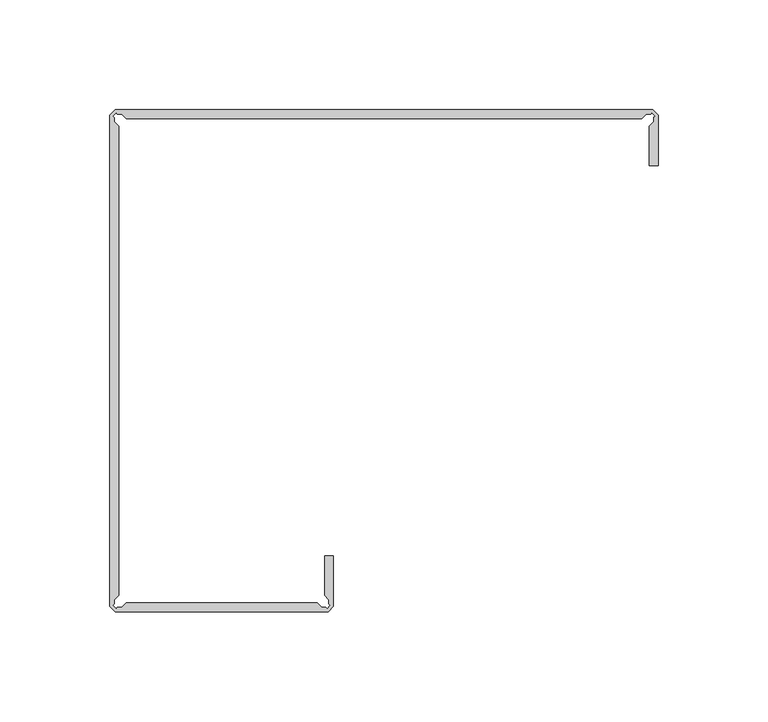
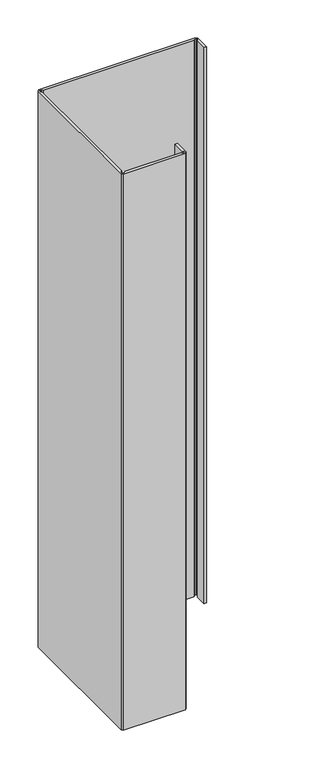
"""IFC4 building model written with IfcOpenShell, lengths in millimetres: proxy geometry."""

from ifc_helpers import new_model, si_unit, frame, origin, place, context, project, spatial, polyline, outline, extrude, source, transform, mapped, element, save


def generic_models_fffac780(model_context):
    return source(origin(), model_context, "Body", "SweptSolid", [
        extrude(outline(polyline([(37121.8787992, -23901.974067), (37121.8787992, -23883.8740875), (37123.843477, -23881.9094097), (37123.843477, -23880.0046034), (37124.4763228, -23879.3717576), (37123.0387334, -23877.9341683), (37122.4058844, -23878.5670173), (37120.5010828, -23878.5670173), (37118.5364006, -23880.5316994), (36883.8442443, -23880.5316994), (36881.8801892, -23878.5676443), (36879.9746338, -23878.5676443), (36879.3432886, -23877.936299), (36877.9063464, -23879.3732411), (36878.5380632, -23880.0049579), (36878.5380632, -23881.9105163), (36880.5024018, -23883.8748549), (36880.5024018, -24097.6352142), (36878.5385586, -24099.5990574), (36878.5385586, -24101.5038486), (36877.9051977, -24102.1372094), (36879.3417578, -24103.5737695), (36879.9741122, -24102.9414151), (36881.8798343, -24102.9414151), (36883.8445368, -24100.9767126), (36970.8179811, -24100.9767126), (36972.7826621, -24102.9413935), (36974.6874644, -24102.9413935), (36975.3203122, -24103.5742413), (36976.7578956, -24102.136658), (36976.1250446, -24101.503807), (36976.1250446, -24099.5990095), (36974.1603593, -24097.6343242), (36974.1603593, -24079.5343434), (36978.1309757, -24079.5343434), (36978.1309757, -24102.5648326), (36975.7486932, -24104.9471151), (36878.913297, -24104.9471151), (36876.5309757, -24102.5647939), (36876.5309757, -23878.9436304), (36878.913722, -23876.5608841), (37123.4671179, -23876.5608841), (37125.8496081, -23878.9433743), (37125.8496081, -23901.974067), (37121.8787992, -23901.974067)])), frame((0.0, 0.0, 1524.0), z_axis=(0.0, 0.0, 1.0), x_axis=(1.0, 0.0, 0.0)), (0.0, 0.0, 1.0), 914.4),
    ])


if __name__ == "__main__":
    model = new_model("IFC4")
    model_context = context("Model", 3, world=origin())
    ifc_project = project(units=[si_unit("LENGTHUNIT", "METRE", prefix="MILLI")], contexts=[model_context])
    site = spatial("IfcSite", under=ifc_project)
    building = spatial("IfcBuilding", under=site)
    placement = place(None, origin())
    generic_models_shape = generic_models_fffac780(model_context)
    element("IfcBuildingElementProxy", 1, Name="Generic Models", at=placement, inside=building, context=model_context, shape_type="MappedRepresentation", body=[
        mapped(generic_models_shape, transform((0.0, 0.0, 0.0), x_axis=(1.0, 0.0, 0.0), y_axis=(0.0, 1.0, 0.0), z_axis=(0.0, 0.0, 1.0))),
    ])
    save(model, "model.ifc")
